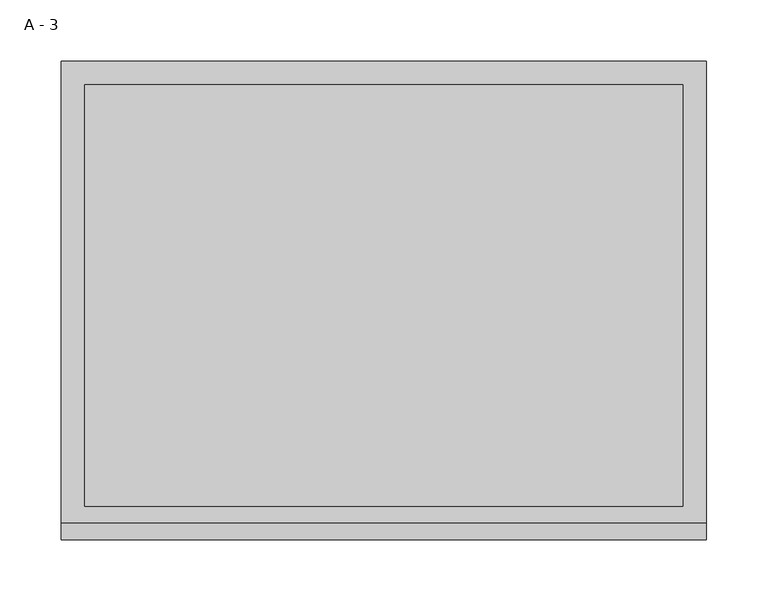
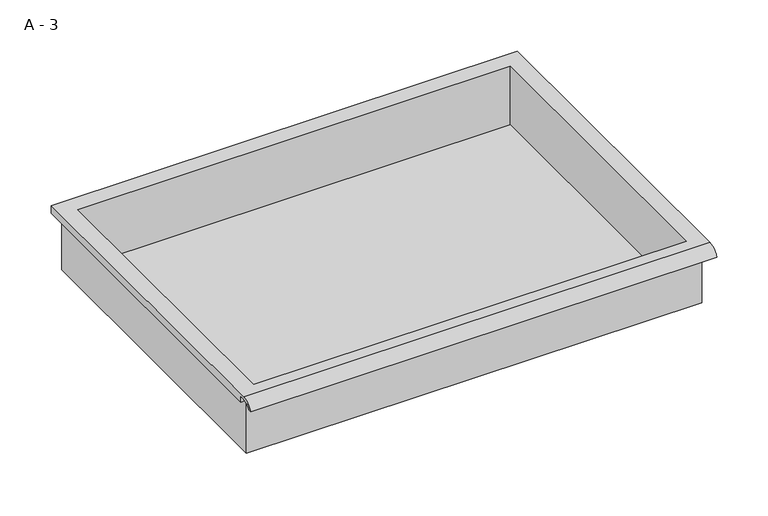
"""IFC4 building model written with IfcOpenShell, lengths in millimetres: furniture geometry, A - 3."""

from ifc_helpers import new_model, si_unit, frame, origin, place, context, project, spatial, polyline, circle_curve, source, transform, mapped, element, save
from ifc_brep_helpers import plane_surface, cylinder_surface, revolved_surface, advanced_brep


def a_3_195719cd(model_context):
    return source(origin(), model_context, "Body", "AdvancedBrep", [
        advanced_brep(
        [(-257.1076517, -176.2125, 722.22614), (257.2423483, -176.2125, 722.22614), (257.2423483, -176.2125, 785.72614), (263.5923483, -176.2125, 785.72614), (263.5923483, -176.2125, 792.0332741), (-263.4576517, -176.2125, 792.0332741), (-263.4576517, -176.2125, 785.72614), (-257.1076517, -176.2125, 785.72614), (257.2423483, 185.7375, 722.22614), (-257.1076517, 185.7375, 722.22614), (-257.1076517, 185.7375, 785.72614), (257.2423483, 185.7375, 785.72614), (263.5923483, -181.6070544, 795.25114), (263.5923483, 195.2625, 795.25114), (-263.4576517, 195.2625, 795.25114), (-263.4576517, -181.6070544, 795.25114), (244.5423483, -168.275, 795.25114), (-244.4076517, -168.275, 795.25114), (-244.4076517, 176.2125, 795.25114), (244.5423483, 176.2125, 795.25114), (263.5923483, -195.2625, 785.72614), (263.5923483, -191.8280601, 785.72614), (263.5923483, -180.4714815, 792.0332741), (263.5923483, 195.2625, 785.72614), (-263.4576517, 195.2625, 785.72614), (-263.4576517, -180.4714815, 792.0332741), (-263.4576517, -191.8280601, 785.72614), (-263.4576517, -195.2625, 785.72614), (-244.4076517, -168.275, 725.2523119), (244.5423483, -168.275, 725.2523119), (244.5423483, 176.2125, 725.2523119), (-244.4076517, 176.2125, 725.2523119)],
        [
            (0, 1),
            (1, 2),
            (2, 3),
            (3, 4),
            (4, 5),
            (5, 6),
            (6, 7),
            (7, 0),
            (8, 9),
            (9, 10),
            (10, 11),
            (11, 8),
            (0, 9),
            (8, 1),
            (11, 2),
            (12, 13),
            (13, 14),
            (14, 15),
            (15, 12),
            (16, 17),
            (17, 18),
            (18, 19),
            (19, 16),
            (7, 10),
            (12, 20, circle_curve(frame((263.5923483, -181.6070544, 780.7001259), z_axis=(1.0, 0.0, 0.0), x_axis=(0.0, 1.0, 0.0)), 14.5510141)),
            (20, 21),
            (21, 22, circle_curve(frame((263.5923483, -181.6070544, 780.7001259), z_axis=(-1.0, 0.0, 0.0), x_axis=(0.0, 1.0, 0.0)), 11.3898979)),
            (22, 4),
            (3, 23),
            (23, 13),
            (14, 24),
            (24, 6),
            (5, 25),
            (25, 26, circle_curve(frame((-263.4576517, -181.6070544, 780.7001259), z_axis=(1.0, 0.0, 0.0), x_axis=(0.0, 1.0, 0.0)), 11.3898979)),
            (26, 27),
            (27, 15, circle_curve(frame((-263.4576517, -181.6070544, 780.7001259), z_axis=(-1.0, 0.0, 0.0), x_axis=(0.0, 1.0, 0.0)), 14.5510141)),
            (27, 20),
            (26, 21),
            (25, 22),
            (24, 23),
            (28, 29),
            (29, 30),
            (30, 31),
            (31, 28),
            (28, 17),
            (16, 29),
            (19, 30),
            (18, 31),
        ],
        [
            plane_surface(frame((257.2423483, -176.2125, 722.22614), z_axis=(0.0, -1.0, 0.0), x_axis=(1.0, 0.0, 0.0))),
            plane_surface(frame((257.2423483, 185.7375, 722.22614), z_axis=(0.0, 1.0, 0.0), x_axis=(-1.0, 0.0, 0.0))),
            plane_surface(frame((-257.1076517, -176.2125, 722.22614), z_axis=(0.0, 0.0, -1.0), x_axis=(0.0, 1.0, 0.0))),
            plane_surface(frame((257.2423483, -176.2125, 722.22614), z_axis=(1.0, 0.0, 0.0), x_axis=(0.0, 1.0, 0.0))),
            plane_surface(frame((257.2423483, -176.2125, 795.25114), z_axis=(0.0, 0.0, 1.0), x_axis=(0.0, 1.0, 0.0))),
            plane_surface(frame((-257.1076517, -176.2125, 795.25114), z_axis=(-1.0, 0.0, 0.0), x_axis=(0.0, 1.0, 0.0))),
            plane_surface(frame((263.5923483, 195.2625, 795.25114), z_axis=(1.0, 0.0, 0.0), x_axis=(0.0, -1.0, 0.0))),
            plane_surface(frame((-263.4576517, 195.2625, 795.25114), z_axis=(-1.0, 0.0, 0.0), x_axis=(0.0, 1.0, 0.0))),
            cylinder_surface(frame((-263.4576517, -181.6070544, 780.7001259), z_axis=(1.0, 0.0, 0.0), x_axis=(0.0, 1.0, 0.0)), 14.5510141),
            plane_surface(frame((263.5923483, -195.2625, 785.72614), z_axis=(0.0, -7.212409108515043e-12, -1.0), x_axis=(-1.0, 0.0, 0.0))),
            revolved_surface(polyline([(-263.4576517, -170.21715650000002, 780.7001259), (263.59234829999997, -170.21715650000002, 780.7001259)]), (-263.4576517, -181.6070544, 780.7001259), (-1.0, 0.0, 0.0)),
            plane_surface(frame((263.5923483, -180.4714815, 792.0332741), z_axis=(0.0, -1.7956755870570704e-11, -1.0), x_axis=(-1.0, 0.0, 0.0))),
            plane_surface(frame((263.5923483, -176.2125, 785.72614), z_axis=(0.0, 0.0, -1.0), x_axis=(-1.0, 0.0, 0.0))),
            plane_surface(frame((263.5923483, 195.2625, 785.72614), z_axis=(0.0, 1.0, 0.0), x_axis=(-1.0, 0.0, 0.0))),
            plane_surface(frame((244.5423483, -168.275, 725.2523119), z_axis=(0.0, 0.0, 1.0), x_axis=(-1.0, 0.0, 0.0))),
            plane_surface(frame((-244.4076517, -168.275, 795.25114), z_axis=(0.0, 1.0, 0.0), x_axis=(0.0, 0.0, -1.0))),
            plane_surface(frame((244.5423483, -168.275, 795.25114), z_axis=(-1.0, 0.0, 0.0), x_axis=(0.0, 0.0, -1.0))),
            plane_surface(frame((244.5423483, 176.2125, 795.25114), z_axis=(0.0, -1.0, 0.0), x_axis=(0.0, 0.0, -1.0))),
            plane_surface(frame((-244.4076517, 176.2125, 795.25114), z_axis=(1.0, 0.0, 0.0), x_axis=(0.0, 0.0, -1.0))),
        ],
        [
            (0, [[1, 2, 3, 4, 5, 6, 7, 8]]),
            (1, [[9, 10, 11, 12]]),
            (2, [[-1, 13, -9, 14]]),
            (3, [[-14, -12, 15, -2]]),
            (4, [[16, 17, 18, 19], [20, 21, 22, 23]]),
            (5, [[-13, -8, 24, -10]]),
            (6, [[-16, 25, 26, 27, 28, -4, 29, 30]]),
            (7, [[31, 32, -6, 33, 34, 35, 36, -18]]),
            (8, [[-25, -19, -36, 37]]),
            (9, [[-26, -37, -35, 38]]),
            (10, [[-27, -38, -34, 39]]),
            (11, [[-28, -39, -33, -5]]),
            (12, [[-29, -3, -15, -11, -24, -7, -32, 40]]),
            (13, [[-30, -40, -31, -17]]),
            (14, [[41, 42, 43, 44]]),
            (15, [[-41, 45, -20, 46]]),
            (16, [[-42, -46, -23, 47]]),
            (17, [[-43, -47, -22, 48]]),
            (18, [[-44, -48, -21, -45]]),
        ],
    ),
    ])


if __name__ == "__main__":
    model = new_model("IFC4")
    model_context = context("Model", 3, world=origin())
    ifc_project = project(units=[si_unit("LENGTHUNIT", "METRE", prefix="MILLI")], contexts=[model_context])
    site = spatial("IfcSite", under=ifc_project)
    building = spatial("IfcBuilding", under=site)
    placement = place(None, origin())
    a_3_shape = a_3_195719cd(model_context)
    element("IfcFurniture", 1, ObjectType="A - 3", at=placement, inside=building, context=model_context, shape_type="MappedRepresentation", body=[
        mapped(a_3_shape, transform((0.0, 0.0, 0.0), x_axis=(1.0, 0.0, 0.0), y_axis=(0.0, 1.0, 0.0), z_axis=(0.0, 0.0, 1.0))),
    ])
    save(model, "model.ifc")
